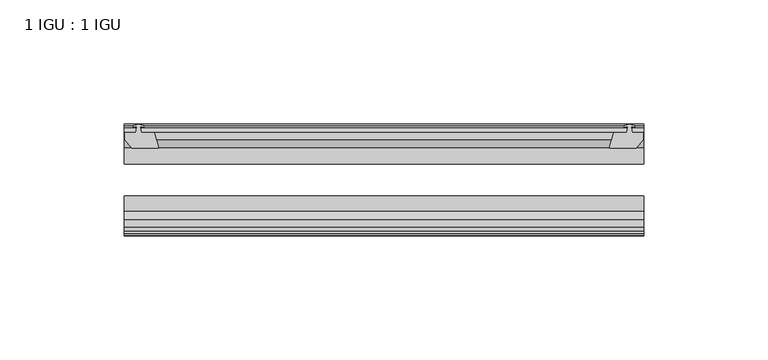
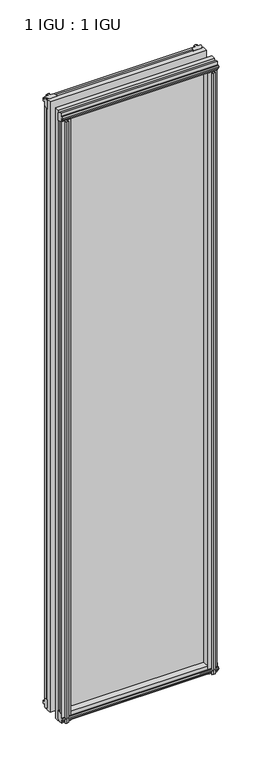
"""IFC4 building model written with IfcOpenShell, lengths in millimetres: plate geometry, 1 IGU : 1 IGU."""

from ifc_helpers import new_model, si_unit, frame, origin, place, context, project, spatial, polyline, outline, extrude, source, transform, mapped, element, save


def plate_1_igu_1_igu_d838f147(model_context):
    return source(origin(), model_context, "Body", "SweptSolid", [
        extrude(outline(polyline([(96.7255119, -10.4746158), (98.9030409, -9.7670937), (101.08057, -10.4746158), (101.08057, -11.27583), (99.6650409, -10.8158968), (100.0460409, -13.1960937), (104.4910409, -13.1960937), (104.4910409, -16.1424937), (101.6566987, -19.5460937), (90.8353228, -19.5460937), (92.5530409, -13.1960937), (97.7600409, -13.1960937), (98.1410409, -10.8158968), (96.7255119, -11.27583), (96.7255119, -10.4746158)])), frame((0.0, 0.0, -12.4587), z_axis=(0.0, 0.0, 1.0), x_axis=(1.0, 0.0, 0.0)), (0.0, 0.0, 1.0), 863.1174),
        extrude(outline(polyline([(-98.9030409, -9.7670937), (-96.7255119, -10.4746158), (-96.7255119, -11.27583), (-98.1410409, -10.8158968), (-97.7600409, -13.1960937), (-92.5530409, -13.1960937), (-90.8353228, -19.5460937), (-101.6566987, -19.5460937), (-104.4910409, -16.1424937), (-104.4910409, -13.1960937), (-100.0460409, -13.1960937), (-99.6650409, -10.8158968), (-101.08057, -11.27583), (-101.08057, -10.4746158), (-98.9030409, -9.7670937)])), frame((0.0, 0.0, -12.4587), z_axis=(0.0, 0.0, 1.0), x_axis=(1.0, 0.0, 0.0)), (0.0, 0.0, 1.0), 863.1174),
        extrude(outline(polyline([(90.3179248, -44.9460938), (101.1393007, -44.9460938), (103.9736429, -48.3496937), (103.9736429, -51.2960937), (99.5286429, -51.2960937), (99.1476429, -53.6762907), (100.5631719, -53.2163575), (100.5631719, -54.0175717), (98.3856429, -54.7250937), (96.2081138, -54.0175717), (96.2081138, -53.2163575), (97.6236429, -53.6762907), (97.2426429, -51.2960938), (92.0356429, -51.2960938), (90.3179248, -44.9460938)])), frame((0.0, 0.0, -12.4587), z_axis=(0.0, 0.0, 1.0), x_axis=(1.0, 0.0, 0.0)), (0.0, 0.0, 1.0), 850.4174),
        extrude(outline(polyline([(-90.3146228, -44.9460937), (-92.0323409, -51.2960937), (-97.2393409, -51.2960937), (-97.6203409, -53.6762907), (-96.2048119, -53.2163575), (-96.2048119, -54.0175717), (-98.3823409, -54.7250937), (-100.55987, -54.0175717), (-100.55987, -53.2163575), (-99.1443409, -53.6762907), (-99.5253409, -51.2960937), (-103.9703409, -51.2960937), (-103.9703409, -48.3496937), (-101.1359987, -44.9460937), (-90.3146228, -44.9460937)])), frame((0.0, 0.0, -12.4587), z_axis=(0.0, 0.0, 1.0), x_axis=(1.0, 0.0, 0.0)), (0.0, 0.0, 1.0), 850.4174),
        extrude(outline(polyline([(-10.4746158, -4.6931709), (-9.7670937, -6.8707), (-10.4746158, -9.0482291), (-11.27583, -9.0482291), (-10.8158968, -7.6327), (-13.1960937, -8.0137), (-13.1960937, -12.4587), (-16.1424937, -12.4587), (-19.5460937, -9.6243578), (-19.5460937, 1.1970181), (-13.1960937, -0.5207), (-13.1960937, -5.7277), (-10.8158968, -6.1087), (-11.27583, -4.6931709), (-10.4746158, -4.6931709)])), frame((-104.7323409, 0.0, 0.0), z_axis=(1.0, 0.0, 0.0), x_axis=(0.0, 1.0, 0.0)), (0.0, 0.0, 1.0), 209.4646818),
        extrude(outline(polyline([(-44.9460937, 1.7177181), (-44.9460937, -9.1036578), (-48.3496937, -11.938), (-51.2960937, -11.938), (-51.2960937, -7.493), (-53.6762907, -7.112), (-53.2163575, -8.5275291), (-54.0175717, -8.5275291), (-54.7250937, -6.35), (-54.0175717, -4.1724709), (-53.2163575, -4.1724709), (-53.6762907, -5.588), (-51.2960937, -5.207), (-51.2960937, 0.0), (-44.9460937, 1.7177181)])), frame((-104.7323409, 0.0, 0.0), z_axis=(1.0, 0.0, 0.0), x_axis=(0.0, 1.0, 0.0)), (0.0, 0.0, 1.0), 209.4646818),
        extrude(outline(polyline([(-10.8158968, 845.8327), (-11.27583, 847.2482291), (-10.4746158, 847.2482291), (-9.7670937, 845.0707), (-10.4746158, 842.8931709), (-11.27583, 842.8931709), (-10.8158968, 844.3087), (-13.1960937, 843.9277), (-13.1960937, 838.7207), (-19.5460938, 837.0029819), (-19.5460938, 847.8243578), (-16.1424937, 850.6587), (-13.1960937, 850.6587), (-13.1960937, 846.2137), (-10.8158968, 845.8327)])), frame((-104.7323409, 0.0, 0.0), z_axis=(1.0, 0.0, 0.0), x_axis=(0.0, 1.0, 0.0)), (0.0, 0.0, 1.0), 209.4646818),
        extrude(outline(polyline([(-51.2960937, 850.138), (-48.3496937, 850.138), (-44.9460938, 847.3036578), (-44.9460938, 836.4822819), (-51.2960937, 838.2), (-51.2960937, 843.407), (-53.6762907, 843.788), (-53.2163575, 842.3724709), (-54.0175717, 842.3724709), (-54.7250937, 844.55), (-54.0175717, 846.7275291), (-53.2163575, 846.7275291), (-53.6762907, 845.312), (-51.2960937, 845.693), (-51.2960937, 850.138)])), frame((-104.7323409, 0.0, 0.0), z_axis=(1.0, 0.0, 0.0), x_axis=(0.0, 1.0, 0.0)), (0.0, 0.0, 1.0), 209.4646818),
        extrude(outline(polyline([(-104.7323409, -38.9186738), (104.7323409, -38.9186738), (104.7323409, -44.9460937), (-104.7323409, -44.9460937), (-104.7323409, -38.9186738)])), frame((0.0, 0.0, -12.7), z_axis=(0.0, 0.0, 1.0), x_axis=(1.0, 0.0, 0.0)), (0.0, 0.0, 1.0), 863.6),
        extrude(outline(polyline([(-104.7323409, -19.5460937), (104.7323409, -19.5460937), (104.7323409, -25.8960938), (-104.7323409, -25.8960938), (-104.7323409, -19.5460937)])), frame((0.0, 0.0, -12.7), z_axis=(0.0, 0.0, 1.0), x_axis=(1.0, 0.0, 0.0)), (0.0, 0.0, 1.0), 863.6),
    ])


if __name__ == "__main__":
    model = new_model("IFC4")
    model_context = context("Model", 3, world=origin())
    ifc_project = project(units=[si_unit("LENGTHUNIT", "METRE", prefix="MILLI")], contexts=[model_context])
    site = spatial("IfcSite", under=ifc_project)
    building = spatial("IfcBuilding", under=site)
    placement = place(None, origin())
    plate_1_igu_1_igu_shape = plate_1_igu_1_igu_d838f147(model_context)
    element("IfcPlate", 1, ObjectType="1 IGU : 1 IGU", at=placement, inside=building, context=model_context, shape_type="MappedRepresentation", body=[
        mapped(plate_1_igu_1_igu_shape, transform((0.0, 0.0, 0.0), x_axis=(1.0, 0.0, 0.0), y_axis=(0.0, 1.0, 0.0), z_axis=(0.0, 0.0, 1.0))),
    ])
    save(model, "model.ifc")
